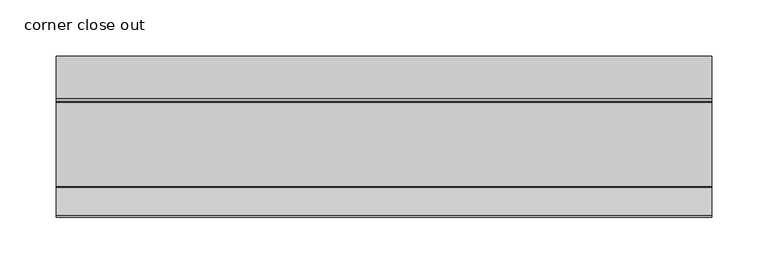
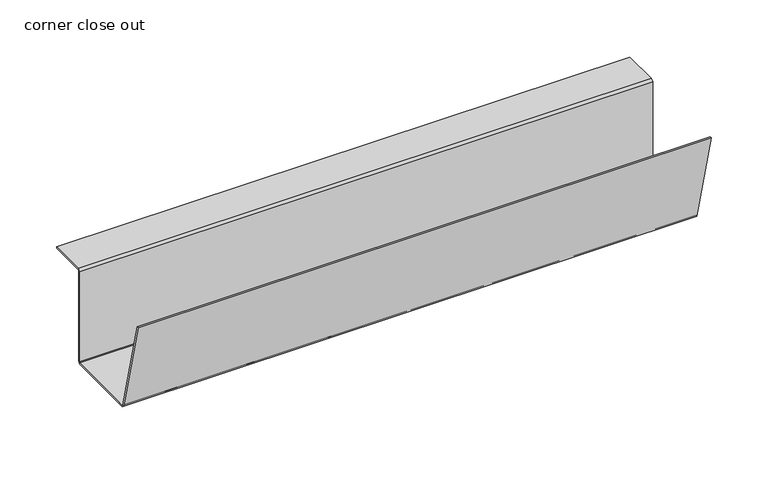
"""IFC4 building model written with IfcOpenShell, lengths in millimetres: furniture geometry, corner close out."""

from ifc_helpers import new_model, si_unit, frame, origin, place, context, project, spatial, polyline, outline, extrude, source, transform, mapped, element, save


def corner_close_out_77726814(model_context):
    return source(origin(), model_context, "Body", "SweptSolid", [
        extrude(outline(polyline([(-316.7585724, 502.8984097), (-291.4505128, 403.0435825), (-290.6851639, 402.4480004), (-215.54987, 402.4480004), (-214.7598564, 403.2379958), (-214.7598564, 500.2099837), (-212.4458625, 502.524014), (-174.7598634, 502.524014), (-174.7598634, 501.0000154), (-212.4458625, 501.0000154), (-213.2358579, 500.2099837), (-213.2358579, 403.2379958), (-215.54987, 400.9240019), (-290.6851639, 400.9240019), (-292.9284047, 402.6696189), (-318.2358805, 502.524014), (-316.7585724, 502.8984097)])), frame((89.1499999, 0.0, 0.0), z_axis=(1.0, 0.0, 0.0), x_axis=(0.0, 1.0, 0.0)), (0.0, 0.0, 1.0), 583.692),
    ])


if __name__ == "__main__":
    model = new_model("IFC4")
    model_context = context("Model", 3, world=origin())
    ifc_project = project(units=[si_unit("LENGTHUNIT", "METRE", prefix="MILLI")], contexts=[model_context])
    site = spatial("IfcSite", under=ifc_project)
    building = spatial("IfcBuilding", under=site)
    placement = place(None, origin())
    corner_close_out_shape = corner_close_out_77726814(model_context)
    element("IfcFurniture", 1, ObjectType="corner close out", at=placement, inside=building, context=model_context, shape_type="MappedRepresentation", body=[
        mapped(corner_close_out_shape, transform((0.0, 0.0, 0.0), x_axis=(1.0, 0.0, 0.0), y_axis=(0.0, 1.0, 0.0), z_axis=(0.0, 0.0, 1.0))),
    ])
    save(model, "model.ifc")
